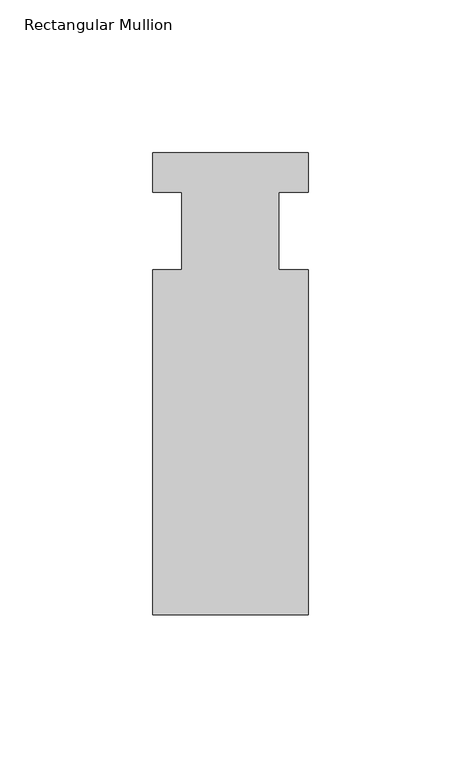
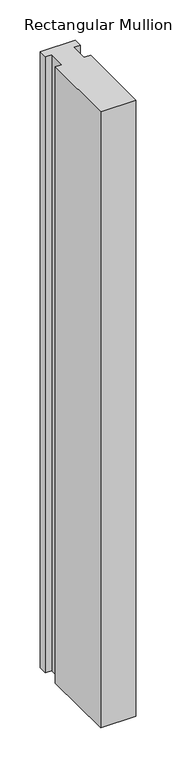
"""IFC4 building model written with IfcOpenShell, lengths in millimetres: member geometry, Rectangular Mullion."""

from ifc_helpers import new_model, si_unit, frame, origin, place, context, project, spatial, polyline, outline, extrude, source, transform, mapped, element, save


def rectangular_mullion_9cb65270(model_context):
    return source(origin(), model_context, "Body", "SweptSolid", [
        extrude(outline(polyline([(-25.4, 25.58415), (25.4, 25.58415), (25.4, 12.7), (15.875, 12.7), (15.875, -12.7), (25.4, -12.7), (25.4, -125.59665), (-25.4, -125.59665), (-25.4, -12.7), (-15.875, -12.7), (-15.875, 12.7), (-25.4, 12.7), (-25.4, 25.58415)])), frame((0.0, 0.0, -939.8), z_axis=(0.0, 0.0, 1.0), x_axis=(1.0, 0.0, 0.0)), (0.0, 0.0, 1.0), 939.8),
    ])


if __name__ == "__main__":
    model = new_model("IFC4")
    model_context = context("Model", 3, world=origin())
    ifc_project = project(units=[si_unit("LENGTHUNIT", "METRE", prefix="MILLI")], contexts=[model_context])
    site = spatial("IfcSite", under=ifc_project)
    building = spatial("IfcBuilding", under=site)
    placement = place(None, origin())
    rectangular_mullion_shape = rectangular_mullion_9cb65270(model_context)
    element("IfcMember", 1, ObjectType="Rectangular Mullion", at=placement, inside=building, context=model_context, shape_type="MappedRepresentation", body=[
        mapped(rectangular_mullion_shape, transform((0.0, 0.0, 0.0), x_axis=(1.0, 0.0, 0.0), y_axis=(0.0, 1.0, 0.0), z_axis=(0.0, 0.0, 1.0))),
    ])
    save(model, "model.ifc")
